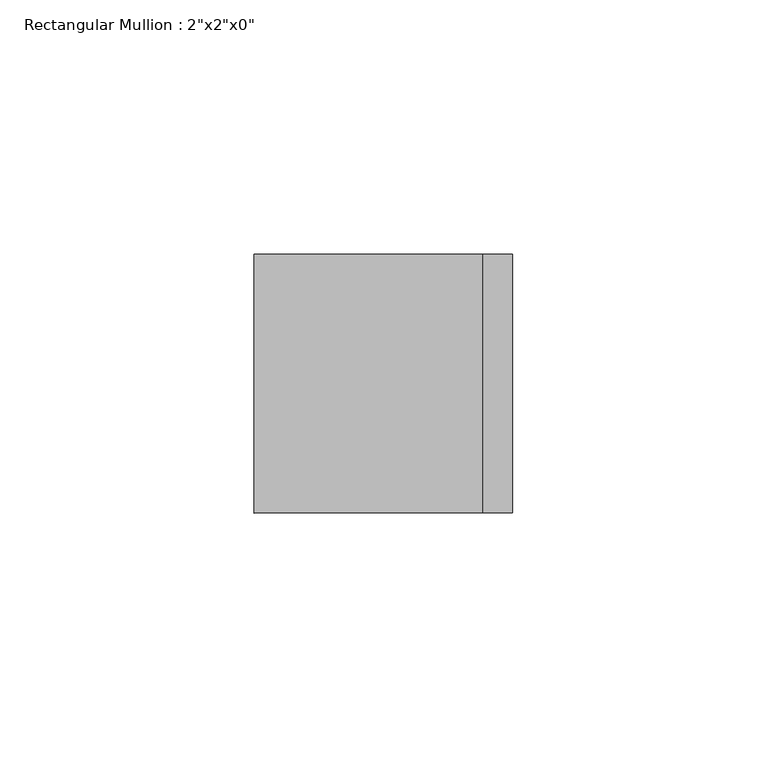
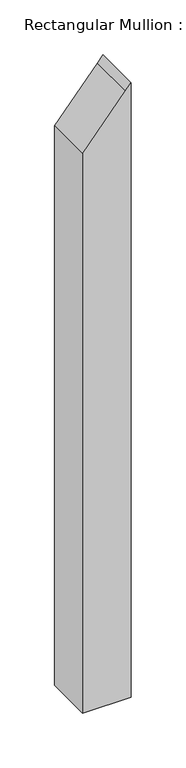
"""IFC4 building model written with IfcOpenShell, lengths in millimetres: member geometry."""

from ifc_helpers import new_model, si_unit, frame, origin, place, context, project, spatial, polyline, outline, extrude, source, transform, mapped, element, save


def member_566825d7(model_context):
    return source(origin(), model_context, "Body", "SweptSolid", [
        extrude(outline(polyline([(-9.185186, 25.4), (-16.2458946, 19.5251353), (-70.2391876, -25.4), (-691.4224082, -25.4), (-691.4224082, 25.4), (-9.185186, 25.4)])), frame((0.0, -25.4, 0.0), z_axis=(0.0, 1.0, 0.0), x_axis=(0.0, 0.0, 1.0)), (0.0, 0.0, 1.0), 50.8),
    ])


if __name__ == "__main__":
    model = new_model("IFC4")
    model_context = context("Model", 3, world=origin())
    ifc_project = project(units=[si_unit("LENGTHUNIT", "METRE", prefix="MILLI")], contexts=[model_context])
    site = spatial("IfcSite", under=ifc_project)
    building = spatial("IfcBuilding", under=site)
    placement = place(None, origin())
    member_shape = member_566825d7(model_context)
    element("IfcMember", 1, ObjectType="Rectangular Mullion : 2\"x2\"x0\"", at=placement, inside=building, context=model_context, shape_type="MappedRepresentation", body=[
        mapped(member_shape, transform((0.0, 0.0, 0.0), x_axis=(1.0, 0.0, 0.0), y_axis=(0.0, 1.0, 0.0), z_axis=(0.0, 0.0, 1.0))),
    ])
    save(model, "model.ifc")
